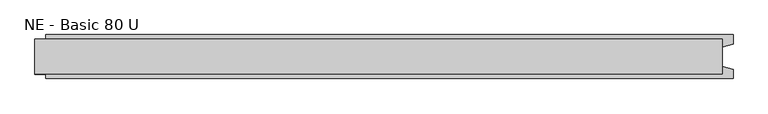
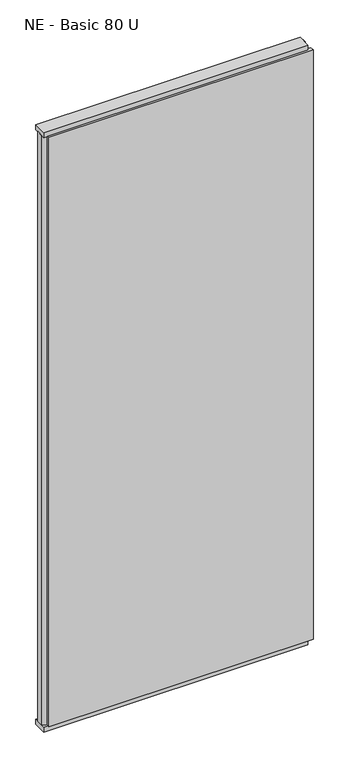
"""IFC4 building model written with IfcOpenShell, lengths in millimetres: plate geometry, NE - Basic 80 U."""

import ifcopenshell
import ifcopenshell.guid

model = None  # the IFC model being written
_history = None  # IfcOwnerHistory: only IFC2X3 demands one
_inside = {}  # id of a spatial element -> (the spatial element, [elements in it])
_under = {}  # id of a project, library or spatial element -> (it, [spatial elements below it])
_declared = {}  # id of a project -> (the project, [libraries it declares])
_typed = {}  # id of a type object -> (the type object, [elements of that type])
_made_of = {}  # id of a material, layer set ... -> (it, [elements and type objects made of it])


def new_model(schema):
    """Start an empty IFC model of exactly this schema.

    Asked for "IFC4X3", IfcOpenShell would pick the latest addendum, in which some entities
    have other attributes; the version numbers below select the first issue.
    IFC2X3 requires an IfcOwnerHistory on every rooted entity: one is made here for all.
    """
    global model, _history
    if schema == "IFC4X3":
        model = ifcopenshell.file(schema_version=(4, 3, 0, 0))
    else:
        model = ifcopenshell.file(schema=schema)
    _inside.clear()
    _under.clear()
    _declared.clear()
    _typed.clear()
    _made_of.clear()
    _history = None
    if model.schema == "IFC2X3":
        org = make("IfcOrganization", Name="unknown")
        user = make(
            "IfcPersonAndOrganization",
            ThePerson=make("IfcPerson", FamilyName="unknown"),
            TheOrganization=org,
        )
        app = make(
            "IfcApplication",
            ApplicationDeveloper=org,
            Version="unknown",
            ApplicationFullName="unknown",
            ApplicationIdentifier="unknown",
        )
        _history = make(
            "IfcOwnerHistory",
            OwningUser=user,
            OwningApplication=app,
            ChangeAction="ADDED",
            CreationDate=0,
        )
    return model


def make(cls, **values):
    """One entity of the class cls with the attributes given. An attribute that is None is left unset."""
    return model.create_entity(
        cls, **{name: value for name, value in values.items() if value is not None}
    )


def rooted(cls, **values):
    """An entity with a GlobalId (a new one), such as an element, a storey or a relation."""
    return make(cls, GlobalId=ifcopenshell.guid.new(), OwnerHistory=_history, **values)


def si_unit(unit_type, name, prefix=None):
    """IfcSIUnit, for example si_unit("LENGTHUNIT", "METRE", prefix="MILLI")."""
    return make("IfcSIUnit", UnitType=unit_type, Prefix=prefix, Name=name)


def assignment(units):
    """IfcUnitAssignment: the units of a project."""
    return None if units is None else make("IfcUnitAssignment", Units=units)


def point(xyz):
    """IfcCartesianPoint."""
    return None if xyz is None else make("IfcCartesianPoint", Coordinates=xyz)


def direction(xyz):
    """IfcDirection."""
    return None if xyz is None else make("IfcDirection", DirectionRatios=xyz)


def frame(location, z_axis=None, x_axis=None):
    """IfcAxis2Placement3D, a coordinate frame: its origin and axes. An axis left out is left unset."""
    return make(
        "IfcAxis2Placement3D",
        Location=point(location),
        Axis=direction(z_axis),
        RefDirection=direction(x_axis),
    )


def origin():
    """The frame at (0, 0, 0) with its axes left unset."""
    return frame((0.0, 0.0, 0.0))


def origin_with_axes():
    """The frame at (0, 0, 0) with the z axis (0, 0, 1) and the x axis (1, 0, 0) written out."""
    return frame((0.0, 0.0, 0.0), z_axis=(0.0, 0.0, 1.0), x_axis=(1.0, 0.0, 0.0))


def place(relative_to, where):
    """IfcLocalPlacement: puts the frame where relative to a parent placement (None: the world)."""
    return make(
        "IfcLocalPlacement", PlacementRelTo=relative_to, RelativePlacement=where
    )


def context(
    kind, dimensions, precision=None, world=None, true_north=None, identifier=None
):
    """IfcGeometricRepresentationContext, for example the 3D "Model" context."""
    return make(
        "IfcGeometricRepresentationContext",
        ContextIdentifier=identifier,
        ContextType=kind,
        CoordinateSpaceDimension=dimensions,
        Precision=precision,
        WorldCoordinateSystem=world,
        TrueNorth=true_north,
    )


def project(units=None, contexts=None):
    """IfcProject with its units and contexts."""
    return rooted(
        "IfcProject",
        Name="project",
        RepresentationContexts=contexts,
        UnitsInContext=assignment(units),
    )


def spatial(cls, under=None, at=None, **own):
    """A site, building, storey or space (cls), placed at a placement, below another one or the project."""
    s = rooted(cls, ObjectPlacement=at, **own)
    if under is not None:
        _under.setdefault(under.id(), (under, []))[1].append(s)
    return s


def polyline(points):
    """IfcPolyline through the points."""
    return make("IfcPolyline", Points=[point(p) for p in points])


def outline(outer, holes=None, kind="AREA"):
    """IfcArbitraryClosedProfileDef: a profile drawn as a closed curve; with holes, ...WithVoids."""
    if holes is None:
        return make("IfcArbitraryClosedProfileDef", ProfileType=kind, OuterCurve=outer)
    return make(
        "IfcArbitraryProfileDefWithVoids",
        ProfileType=kind,
        OuterCurve=outer,
        InnerCurves=holes,
    )


def extrude(swept, where, along, depth):
    """IfcExtrudedAreaSolid: the profile swept, set in the frame where, extruded along a direction by depth."""
    return make(
        "IfcExtrudedAreaSolid",
        SweptArea=swept,
        Position=where,
        ExtrudedDirection=direction(along),
        Depth=depth,
    )


def shape(context_of_items, identifier, shape_type, items):
    """IfcShapeRepresentation: the items that make up one representation, for example the "Body"."""
    return make(
        "IfcShapeRepresentation",
        ContextOfItems=context_of_items,
        RepresentationIdentifier=identifier,
        RepresentationType=shape_type,
        Items=items,
    )


def source(mapping_origin, context_of_items, identifier, shape_type, items):
    """IfcRepresentationMap: a shape defined once, which mapped items show again and again."""
    return make(
        "IfcRepresentationMap",
        MappingOrigin=mapping_origin,
        MappedRepresentation=shape(context_of_items, identifier, shape_type, items),
    )


def transform(
    local_origin,
    x_axis=None,
    y_axis=None,
    z_axis=None,
    scale=None,
    scale2=None,
    scale3=None,
    uniform=True,
):
    """IfcCartesianTransformationOperator3D, or its non-uniform kind. x_axis, y_axis, z_axis: its Axis1, 2, 3."""
    if uniform:
        return make(
            "IfcCartesianTransformationOperator3D",
            Axis1=direction(x_axis),
            Axis2=direction(y_axis),
            LocalOrigin=point(local_origin),
            Scale=scale,
            Axis3=direction(z_axis),
        )
    return make(
        "IfcCartesianTransformationOperator3DnonUniform",
        Axis1=direction(x_axis),
        Axis2=direction(y_axis),
        LocalOrigin=point(local_origin),
        Scale=scale,
        Axis3=direction(z_axis),
        Scale2=scale2,
        Scale3=scale3,
    )


def mapped(mapping_source, mapping_target):
    """IfcMappedItem: shows the shape of a source again, moved by a transform."""
    return make(
        "IfcMappedItem", MappingSource=mapping_source, MappingTarget=mapping_target
    )


def made_of(thing, what):
    """Note that an element or type object is made of a material, layer set ...; save() writes the relation."""
    if what is not None:
        _made_of.setdefault(what.id(), (what, []))[1].append(thing)
    return thing


def element(
    cls,
    number,
    at=None,
    inside=None,
    cuts=None,
    type_object=None,
    material=None,
    context=None,
    identifier="Body",
    shape_type=None,
    held_by="IfcProductDefinitionShape",
    body=None,
    shapes=None,
    **own,
):
    """One element of the class cls, such as IfcWall. Its Tag is "e" and its number.

    at: its placement. inside: the storey or other place that contains it. cuts: it is an
    opening in that element (IfcRelVoidsElement). A single representation is given by context,
    identifier, shape_type and body (its items); several are given by shapes. held_by: the class
    of the entity that holds the representations. save() writes the other relations.
    """
    e = rooted(cls, Tag="e%d" % number, ObjectPlacement=at, **own)
    if body is not None:
        shapes = [shape(context, identifier, shape_type, body)]
    if shapes is not None:
        e.Representation = make(held_by, Representations=shapes)
    if inside is not None:
        _inside.setdefault(inside.id(), (inside, []))[1].append(e)
    if cuts is not None:
        rooted(
            "IfcRelVoidsElement", RelatingBuildingElement=cuts, RelatedOpeningElement=e
        )
    if type_object is not None:
        _typed.setdefault(type_object.id(), (type_object, []))[1].append(e)
    return made_of(e, material)


def aggregate(whole, parts):
    """IfcRelAggregates: a whole, such as a stair, and the parts it consists of."""
    return rooted("IfcRelAggregates", RelatingObject=whole, RelatedObjects=parts)


def save(model, path):
    """Write the relations noted so far, then the file.

    IfcRelAggregates (storeys below a building ...), IfcRelContainedInSpatialStructure (elements
    in a storey), IfcRelDefinesByType, IfcRelAssociatesMaterial and IfcRelDeclares: one each for
    every whole, place, type object, material and project.
    """
    for whole, parts in _under.values():
        aggregate(whole, parts)
    for where, things in _inside.values():
        rooted(
            "IfcRelContainedInSpatialStructure",
            RelatedElements=things,
            RelatingStructure=where,
        )
    for kind, things in _typed.values():
        rooted("IfcRelDefinesByType", RelatedObjects=things, RelatingType=kind)
    for what, things in _made_of.values():
        rooted("IfcRelAssociatesMaterial", RelatedObjects=things, RelatingMaterial=what)
    for by, libraries in _declared.values():
        rooted("IfcRelDeclares", RelatingContext=by, RelatedDefinitions=libraries)
    model.write(path)


def ne_basic_80_u_98912d16(model_context):
    return source(origin(), model_context, "Body", "SweptSolid", [
        extrude(outline(polyline([(645.0, 40.0), (645.0, 22.9993165), (625.0, 17.6401049), (625.0, -17.6401049), (645.0, -22.9993165), (645.0, -40.0), (-605.0, -40.0), (-605.0, -22.9993165), (-625.0, -17.6401049), (-625.0, 17.6401049), (-605.0, 22.9993165), (-605.0, 40.0), (645.0, 40.0)])), frame((0.0, 0.0, 25.0), z_axis=(0.0, 0.0, 1.0), x_axis=(1.0, 0.0, 0.0)), (0.0, 0.0, 1.0), 2950.0),
        extrude(outline(polyline([(625.0, 32.0), (625.0, -32.0), (-625.0, -32.0), (-625.0, 32.0), (625.0, 32.0)])), origin_with_axes(), (0.0, 0.0, 1.0), 25.0),
        extrude(outline(polyline([(625.0, 32.0), (625.0, -32.0), (-625.0, -32.0), (-625.0, 32.0), (625.0, 32.0)])), frame((0.0, 0.0, 2975.0), z_axis=(0.0, 0.0, 1.0), x_axis=(1.0, 0.0, 0.0)), (0.0, 0.0, 1.0), 25.0),
    ])


if __name__ == "__main__":
    model = new_model("IFC4")
    model_context = context("Model", 3, world=origin())
    ifc_project = project(units=[si_unit("LENGTHUNIT", "METRE", prefix="MILLI")], contexts=[model_context])
    site = spatial("IfcSite", under=ifc_project)
    building = spatial("IfcBuilding", under=site)
    placement = place(None, origin())
    ne_basic_80_u_shape = ne_basic_80_u_98912d16(model_context)
    element("IfcPlate", 1, ObjectType="NE - Basic 80 U", at=placement, inside=building, context=model_context, shape_type="MappedRepresentation", body=[
        mapped(ne_basic_80_u_shape, transform((0.0, 0.0, 0.0), x_axis=(1.0, 0.0, 0.0), y_axis=(0.0, 1.0, 0.0), z_axis=(0.0, 0.0, 1.0))),
    ])
    save(model, "model.ifc")
